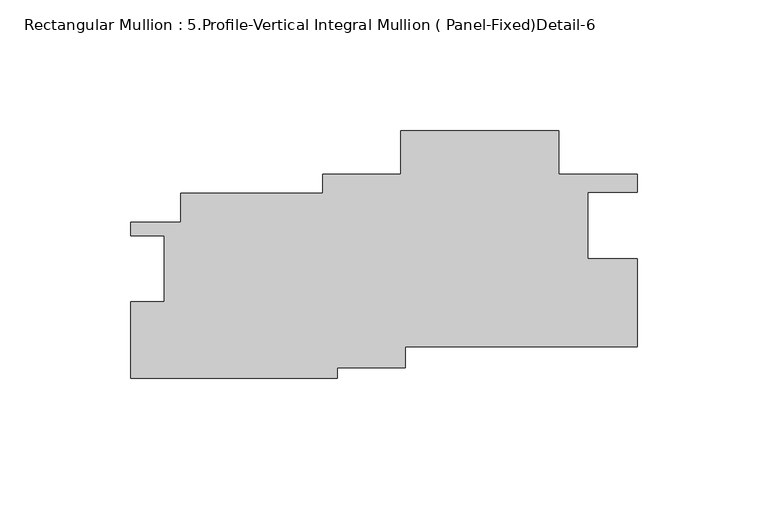
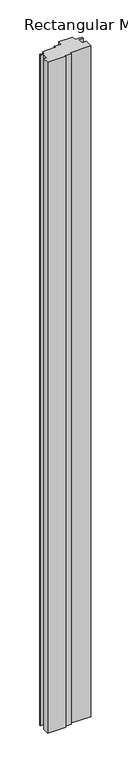
"""IFC4 building model written with IfcOpenShell, lengths in millimetres: member geometry, Rectangular Mullion : 5.Profile-Vertical Integral Mullion ( Panel-Fixed)Detail-6."""

from ifc_helpers import new_model, si_unit, frame, origin, place, context, project, spatial, polyline, outline, extrude, source, transform, mapped, element, save


def rectangular_mullion_5_profile_vertical_integral_mullion_ff56dff5(model_context):
    return source(origin(), model_context, "Body", "SweptSolid", [
        extrude(outline(polyline([(-114.5442915, -45.2130553), (-193.4413962, -45.2130553), (-193.4413962, -15.8999836), (-180.7510042, -15.8999836), (-180.7510042, 9.2541637), (-193.4518674, 9.2541637), (-193.4518674, 14.4615302), (-174.4005264, 14.4615302), (-174.4005264, 25.4859062), (-120.2010366, 25.4859062), (-120.2010366, 32.7325548), (-90.266682, 32.7325548), (-90.266682, 49.3687878), (-29.934373, 49.3687878), (-29.934373, 32.7325548), (-1.84e-05, 32.7325548), (-1.84e-05, 25.8201253), (-18.8100219, 25.8201253), (-18.8100219, 0.4214543), (0.0, 0.4214543), (0.0, -33.1869419), (-88.6661422, -33.1869419), (-88.6661422, -41.1938447), (-114.5442915, -41.1938447), (-114.5442915, -45.2130553)])), frame((0.0, 0.0, -3048.0), z_axis=(0.0, 0.0, 1.0), x_axis=(1.0, 0.0, 0.0)), (0.0, 0.0, 1.0), 3048.0),
    ])


if __name__ == "__main__":
    model = new_model("IFC4")
    model_context = context("Model", 3, world=origin())
    ifc_project = project(units=[si_unit("LENGTHUNIT", "METRE", prefix="MILLI")], contexts=[model_context])
    site = spatial("IfcSite", under=ifc_project)
    building = spatial("IfcBuilding", under=site)
    placement = place(None, origin())
    rectangular_mullion_5_profile_vertical_integral_mullion_shape = rectangular_mullion_5_profile_vertical_integral_mullion_ff56dff5(model_context)
    element("IfcMember", 1, ObjectType="Rectangular Mullion : 5.Profile-Vertical Integral Mullion ( Panel-Fixed)Detail-6", at=placement, inside=building, context=model_context, shape_type="MappedRepresentation", body=[
        mapped(rectangular_mullion_5_profile_vertical_integral_mullion_shape, transform((0.0, 0.0, 0.0), x_axis=(1.0, 0.0, 0.0), y_axis=(0.0, 1.0, 0.0), z_axis=(0.0, 0.0, 1.0))),
    ])
    save(model, "model.ifc")
